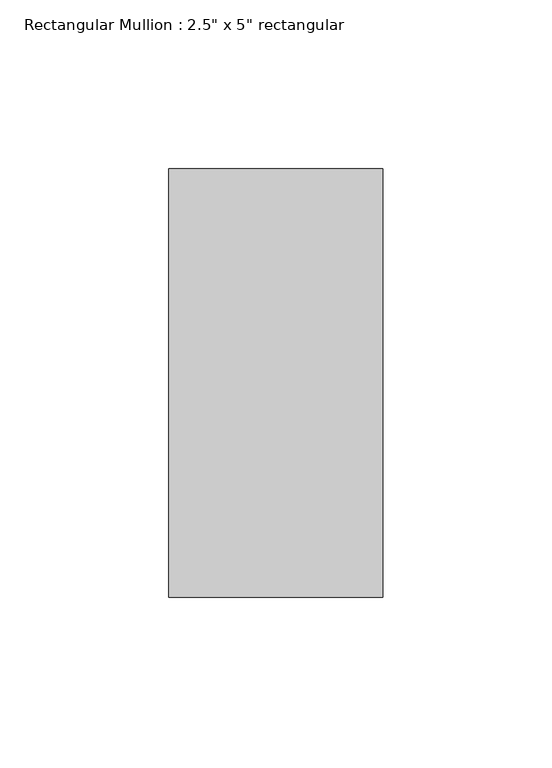
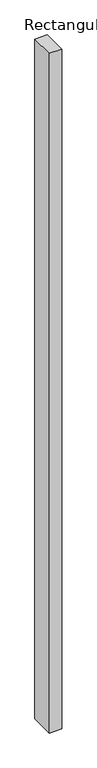
"""IFC4 building model written with IfcOpenShell, lengths in millimetres: member geometry."""

from ifc_helpers import new_model, si_unit, frame, origin, place, context, project, spatial, polyline, outline, extrude, source, transform, mapped, element, save


def member_e8a22d1e(model_context):
    return source(origin(), model_context, "Body", "SweptSolid", [
        extrude(outline(polyline([(31.75, 63.5), (31.75, -63.5), (-31.75, -63.5), (-31.75, 63.5), (31.75, 63.5)])), frame((0.0, 0.0, -3645.2323154), z_axis=(0.0, 0.0, 1.0), x_axis=(1.0, 0.0, 0.0)), (0.0, 0.0, 1.0), 3645.2323154),
    ])


if __name__ == "__main__":
    model = new_model("IFC4")
    model_context = context("Model", 3, world=origin())
    ifc_project = project(units=[si_unit("LENGTHUNIT", "METRE", prefix="MILLI")], contexts=[model_context])
    site = spatial("IfcSite", under=ifc_project)
    building = spatial("IfcBuilding", under=site)
    placement = place(None, origin())
    member_shape = member_e8a22d1e(model_context)
    element("IfcMember", 1, ObjectType="Rectangular Mullion : 2.5\" x 5\" rectangular", at=placement, inside=building, context=model_context, shape_type="MappedRepresentation", body=[
        mapped(member_shape, transform((0.0, 0.0, 0.0), x_axis=(1.0, 0.0, 0.0), y_axis=(0.0, 1.0, 0.0), z_axis=(0.0, 0.0, 1.0))),
    ])
    save(model, "model.ifc")
